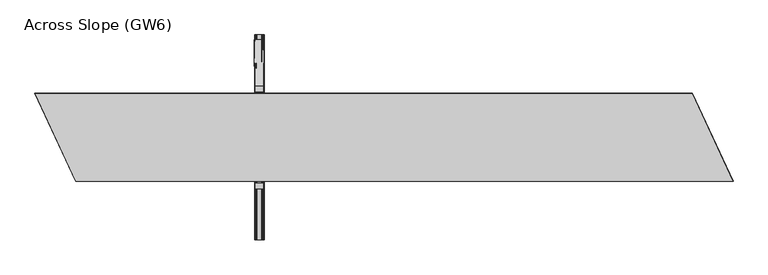
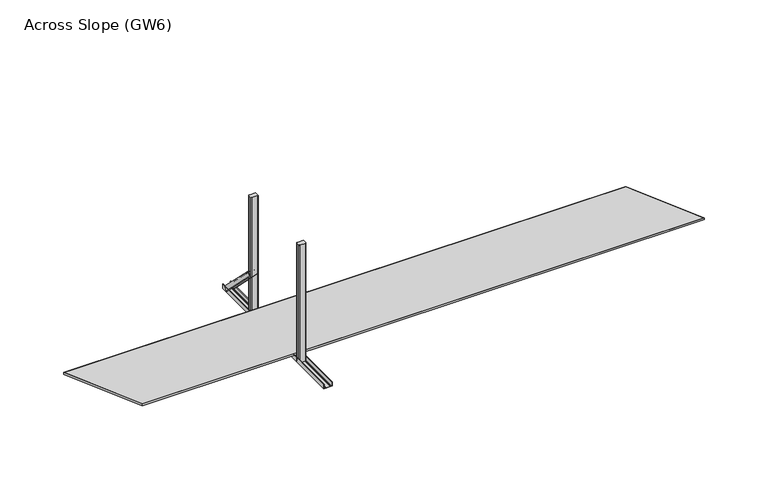
"""IFC4 building model written with IfcOpenShell, lengths in millimetres: proxy geometry, Across Slope (GW6)."""

from ifc_helpers import new_model, si_unit, point, frame, frame_2d, origin, origin_with_axes, place, context, project, spatial, polyline, circle_curve, trimmed, segment, composite_curve, outline, extrude, source, transform, mapped, element, save
from ifc_brep_helpers import plane_surface, extruded_surface, advanced_brep


def across_slope_gw6_fc3a5648(model_context):
    return source(origin(), model_context, "Body", "SolidModel", [
        extrude(outline(composite_curve([segment(polyline([(1555.5, -50.5), (1509.5, -50.5)]), True, "CONTINUOUS"), segment(trimmed(circle_curve(frame_2d((1509.5, -45.5)), 5.0), [point((1509.5, -50.5))], [point((1504.5, -45.5))], False, "CARTESIAN"), True, "CONTINUOUS"), segment(polyline([(1504.5, -45.5), (1504.5, -17.5)]), True, "CONTINUOUS"), segment(trimmed(circle_curve(frame_2d((1509.5, -17.5)), 5.0), [point((1504.5, -17.5))], [point((1509.5, -12.5))], False, "CARTESIAN"), True, "CONTINUOUS"), segment(polyline([(1509.5, -12.5), (1555.5, -12.5)]), True, "CONTINUOUS"), segment(trimmed(circle_curve(frame_2d((1555.5, -17.5)), 5.0), [point((1555.5, -12.5))], [point((1560.5, -17.5))], False, "CARTESIAN"), True, "CONTINUOUS"), segment(polyline([(1560.5, -17.5), (1560.5, -45.5)]), True, "CONTINUOUS"), segment(trimmed(circle_curve(frame_2d((1555.5, -45.5)), 5.0), [point((1560.5, -45.5))], [point((1555.5, -50.5))], False, "CARTESIAN"), True, "CONTINUOUS")], self_intersect=False)), origin_with_axes(), (0.0, 0.0, 1.0), 998.0),
        extrude(outline(composite_curve([segment(polyline([(1555.5, 612.5), (1509.5, 612.5)]), True, "CONTINUOUS"), segment(trimmed(circle_curve(frame_2d((1509.5, 617.5)), 5.0), [point((1509.5, 612.5))], [point((1504.5, 617.5))], False, "CARTESIAN"), True, "CONTINUOUS"), segment(polyline([(1504.5, 617.5), (1504.5, 645.5)]), True, "CONTINUOUS"), segment(trimmed(circle_curve(frame_2d((1509.5, 645.5)), 5.0), [point((1504.5, 645.5))], [point((1509.5, 650.5))], False, "CARTESIAN"), True, "CONTINUOUS"), segment(polyline([(1509.5, 650.5), (1555.5, 650.5)]), True, "CONTINUOUS"), segment(trimmed(circle_curve(frame_2d((1555.5, 645.5)), 5.0), [point((1555.5, 650.5))], [point((1560.5, 645.5))], False, "CARTESIAN"), True, "CONTINUOUS"), segment(polyline([(1560.5, 645.5), (1560.5, 617.5)]), True, "CONTINUOUS"), segment(trimmed(circle_curve(frame_2d((1555.5, 617.5)), 5.0), [point((1560.5, 617.5))], [point((1555.5, 612.5))], False, "CARTESIAN"), True, "CONTINUOUS")], self_intersect=False)), origin_with_axes(), (0.0, 0.0, 1.0), 998.0),
        advanced_brep(
        [(1497.0, 968.7087394, 38.0), (1562.0, 968.7087394, 38.0), (1562.0, 942.8993419, 12.1906025), (1559.0, 942.8993419, 12.1906025), (1559.0, 966.5874191, 35.8786797), (1549.0, 966.5874191, 35.8786797), (1549.0, 964.8196521, 34.1109127), (1548.0, 964.8196521, 34.1109127), (1548.0, 966.5874191, 35.8786797), (1511.0, 966.5874191, 35.8786797), (1511.0, 964.8196521, 34.1109127), (1510.0, 964.8196521, 34.1109127), (1510.0, 966.5874191, 35.8786797), (1500.0, 966.5874191, 35.8786797), (1500.0, 942.8993419, 12.1906025), (1497.0, 942.8993419, 12.1906025), (1500.0, 650.5106879, 356.1980515), (1500.0, 624.7012904, 330.388654), (1503.0, 624.7012904, 330.388654), (1503.0, 648.3893676, 354.0767312), (1513.0, 648.3893676, 354.0767312), (1513.0, 646.6216006, 352.3089642), (1514.0, 646.6216006, 352.3089642), (1514.0, 648.3893676, 354.0767312), (1551.0, 648.3893676, 354.0767312), (1551.0, 646.6216006, 352.3089642), (1552.0, 646.6216006, 352.3089642), (1552.0, 648.3893676, 354.0767312), (1562.0, 648.3893676, 354.0767312), (1562.0, 624.7012904, 330.388654), (1565.0, 624.7012904, 330.388654), (1565.0, 650.5106879, 356.1980515)],
        [
            (0, 1),
            (1, 2),
            (2, 3, circle_curve(frame((1560.5, 942.8993419, 12.1906025), z_axis=(0.0, 0.7071067811865432, -0.7071067811865519), x_axis=(0.0, -0.7071067811865519, -0.7071067811865432)), 1.5)),
            (3, 4),
            (4, 5),
            (5, 6),
            (6, 7, circle_curve(frame((1548.5, 964.8196521, 34.1109127), z_axis=(0.0, 0.7071067811865432, -0.7071067811865519), x_axis=(0.0, -0.7071067811865519, -0.7071067811865432)), 0.5)),
            (7, 8),
            (8, 9),
            (9, 10),
            (10, 11, circle_curve(frame((1510.5, 964.8196521, 34.1109127), z_axis=(0.0, 0.7071067811865432, -0.7071067811865519), x_axis=(0.0, -0.7071067811865519, -0.7071067811865432)), 0.5)),
            (11, 12),
            (12, 13),
            (13, 14),
            (14, 15, circle_curve(frame((1498.5, 942.8993419, 12.1906025), z_axis=(0.0, 0.7071067811865432, -0.7071067811865519), x_axis=(0.0, -0.7071067811865519, -0.7071067811865432)), 1.5)),
            (15, 0),
            (16, 17),
            (17, 18, circle_curve(frame((1501.5, 624.7012904, 330.388654), z_axis=(0.0, -0.7071067811865432, 0.7071067811865519), x_axis=(0.0, -0.7071067811865519, -0.7071067811865432)), 1.5)),
            (18, 19),
            (19, 20),
            (20, 21),
            (21, 22, circle_curve(frame((1513.5, 646.6216006, 352.3089642), z_axis=(0.0, -0.7071067811865432, 0.7071067811865519), x_axis=(0.0, -0.7071067811865519, -0.7071067811865432)), 0.5)),
            (22, 23),
            (23, 24),
            (24, 25),
            (25, 26, circle_curve(frame((1551.5, 646.6216006, 352.3089642), z_axis=(0.0, -0.7071067811865432, 0.7071067811865519), x_axis=(0.0, -0.7071067811865519, -0.7071067811865432)), 0.5)),
            (26, 27),
            (27, 28),
            (28, 29),
            (29, 30, circle_curve(frame((1563.5, 624.7012904, 330.388654), z_axis=(0.0, -0.7071067811865432, 0.7071067811865519), x_axis=(0.0, -0.7071067811865519, -0.7071067811865432)), 1.5)),
            (30, 31),
            (31, 16),
            (16, 0),
            (15, 17),
            (14, 18),
            (13, 19),
            (12, 20),
            (11, 21),
            (10, 22),
            (9, 23),
            (8, 24),
            (7, 25),
            (6, 26),
            (5, 27),
            (4, 28),
            (3, 29),
            (2, 30),
            (1, 31),
        ],
        [
            plane_surface(frame((1529.5, 960.4886231, 29.7798837), z_axis=(0.0, 0.707106781186543, -0.7071067811865521), x_axis=(0.0, -0.7071067811865521, -0.707106781186543))),
            plane_surface(frame((1532.5, 642.2905716, 347.9779352), z_axis=(0.0, -0.7071067811865432, 0.7071067811865519), x_axis=(0.0, -0.7071067811865519, -0.7071067811865432))),
            plane_surface(frame((1500.0, 637.6059891, 343.2933528), z_axis=(-0.9999777785184912, -0.004713940454842057, 0.004713940454841993), x_axis=(0.0, -0.7071067811865521, -0.707106781186543))),
            extruded_surface(trimmed(circle_curve(frame((1498.5, 942.8993419, 12.1906025), z_axis=(0.0, -0.7071067811865432, 0.7071067811865519), x_axis=(0.0, -0.7071067811865519, -0.7071067811865432)), 1.5), [point((1497.0, 942.8993419, 12.1906025))], [point((1500.0, 942.8993419, 12.1906025))], True, "CARTESIAN"), (3.0, -318.1980515, 318.19805149999996), 450.009999840885),
            plane_surface(frame((1503.0, 636.545329, 342.2326926), z_axis=(0.9999777785184912, 0.004713940454842057, -0.004713940454841993), x_axis=(0.0, 0.7071067811865521, 0.707106781186543))),
            plane_surface(frame((1508.0, 648.3893676, 354.0767312), z_axis=(0.0, -0.7071067811865525, -0.7071067811865427), x_axis=(1.0, 0.0, 0.0))),
            plane_surface(frame((1513.0, 647.5054841, 353.1928477), z_axis=(-0.9999777785184911, -0.004713940454842033, 0.004713940454842016), x_axis=(0.0, -0.7071067811865557, -0.7071067811865394))),
            extruded_surface(trimmed(circle_curve(frame((1510.5, 964.8196521, 34.1109127), z_axis=(0.0, -0.7071067811865432, 0.7071067811865519), x_axis=(0.0, -0.7071067811865519, -0.7071067811865432)), 0.5), [point((1510.0, 964.8196521, 34.1109127))], [point((1511.0, 964.8196521, 34.1109127))], True, "CARTESIAN"), (3.0, -318.1980515, 318.1980515), 450.00999984088503),
            plane_surface(frame((1514.0, 647.5054841, 353.1928477), z_axis=(0.9999777785184911, 0.004713940454842045, -0.004713940454842029), x_axis=(0.0, 0.7071067811865557, 0.7071067811865394))),
            plane_surface(frame((1532.5, 648.3893676, 354.0767312), z_axis=(0.0, -0.7071067811865525, -0.7071067811865427), x_axis=(1.0, 0.0, 0.0))),
            plane_surface(frame((1551.0, 647.5054841, 353.1928477), z_axis=(-0.9999777785184911, -0.004713940454842039, 0.004713940454842022), x_axis=(0.0, -0.7071067811865557, -0.7071067811865394))),
            extruded_surface(trimmed(circle_curve(frame((1548.5, 964.8196521, 34.1109127), z_axis=(0.0, -0.7071067811865432, 0.7071067811865519), x_axis=(0.0, -0.7071067811865519, -0.7071067811865432)), 0.5), [point((1548.0, 964.8196521, 34.1109127))], [point((1549.0, 964.8196521, 34.1109127))], True, "CARTESIAN"), (3.0, -318.1980515, 318.1980515), 450.00999984088503),
            plane_surface(frame((1552.0, 647.5054841, 353.1928477), z_axis=(0.9999777785184911, 0.004713940454842066, -0.004713940454841994), x_axis=(0.0, 0.7071067811865515, 0.7071067811865436))),
            plane_surface(frame((1557.0, 648.3893676, 354.0767312), z_axis=(0.0, -0.7071067811865522, -0.707106781186543), x_axis=(1.0, 0.0, 0.0))),
            plane_surface(frame((1562.0, 636.545329, 342.2326926), z_axis=(-0.9999777785184911, -0.004713940454842064, 0.004713940454841998), x_axis=(0.0, -0.707106781186552, -0.7071067811865431))),
            extruded_surface(trimmed(circle_curve(frame((1560.5, 942.8993419, 12.1906025), z_axis=(0.0, -0.7071067811865432, 0.7071067811865519), x_axis=(0.0, -0.7071067811865519, -0.7071067811865432)), 1.5), [point((1559.0, 942.8993419, 12.1906025))], [point((1562.0, 942.8993419, 12.1906025))], True, "CARTESIAN"), (3.0, -318.1980515, 318.19805149999996), 450.009999840885),
            plane_surface(frame((1565.0, 637.6059891, 343.2933528), z_axis=(0.9999777785184913, 0.004713940454842066, -0.004713940454841998), x_axis=(0.0, 0.7071067811865519, 0.7071067811865432))),
            plane_surface(frame((1532.5, 650.5106879, 356.1980515), z_axis=(0.0, 0.7071067811865526, 0.7071067811865427), x_axis=(-1.0, 0.0, 0.0))),
        ],
        [
            (0, [[1, 2, 3, 4, 5, 6, 7, 8, 9, 10, 11, 12, 13, 14, 15, 16]]),
            (1, [[17, 18, 19, 20, 21, 22, 23, 24, 25, 26, 27, 28, 29, 30, 31, 32]]),
            (2, [[33, -16, 34, -17]]),
            (3, [[-34, -15, 35, -18]]),
            (4, [[-35, -14, 36, -19]]),
            (5, [[-36, -13, 37, -20]]),
            (6, [[-37, -12, 38, -21]]),
            (7, [[-38, -11, 39, -22]]),
            (8, [[-39, -10, 40, -23]]),
            (9, [[-40, -9, 41, -24]]),
            (10, [[-41, -8, 42, -25]]),
            (11, [[-42, -7, 43, -26]]),
            (12, [[-43, -6, 44, -27]]),
            (13, [[-44, -5, 45, -28]]),
            (14, [[-45, -4, 46, -29]]),
            (15, [[-46, -3, 47, -30]]),
            (16, [[-47, -2, 48, -31]]),
            (17, [[-48, -1, -33, -32]]),
        ],
    ),
        extrude(outline(composite_curve([segment(polyline([(0.0, 1500.0), (0.0, 1565.0), (36.5, 1565.0)]), True, "CONTINUOUS"), segment(trimmed(circle_curve(frame_2d((36.5, 1563.5)), 1.5), [point((36.5, 1565.0))], [point((36.5, 1562.0))], False, "CARTESIAN"), True, "CONTINUOUS"), segment(polyline([(36.5, 1562.0), (3.0, 1562.0), (3.0, 1552.0), (5.5, 1552.0)]), True, "CONTINUOUS"), segment(trimmed(circle_curve(frame_2d((5.5, 1551.5)), 0.5), [point((5.5, 1552.0))], [point((5.5, 1551.0))], False, "CARTESIAN"), True, "CONTINUOUS"), segment(polyline([(5.5, 1551.0), (3.0, 1551.0), (3.0, 1514.0), (5.5, 1514.0)]), True, "CONTINUOUS"), segment(trimmed(circle_curve(frame_2d((5.5, 1513.5)), 0.5), [point((5.5, 1514.0))], [point((5.5, 1513.0))], False, "CARTESIAN"), True, "CONTINUOUS"), segment(polyline([(5.5, 1513.0), (3.0, 1513.0), (3.0, 1503.0), (36.5, 1503.0)]), True, "CONTINUOUS"), segment(trimmed(circle_curve(frame_2d((36.5, 1501.5)), 1.5), [point((36.5, 1503.0))], [point((36.5, 1500.0))], False, "CARTESIAN"), True, "CONTINUOUS"), segment(polyline([(36.5, 1500.0), (0.0, 1500.0)]), True, "CONTINUOUS")], self_intersect=False)), frame((0.0, -400.0, 0.0), z_axis=(0.0, 1.0, 0.0), x_axis=(0.0, 0.0, 1.0)), (0.0, 0.0, 1.0), 1400.0),
        extrude(outline(polyline([(4767.3549356, 1.0), (280.4216652, 1.0), (1.5696856, 599.0), (4488.502956, 599.0), (4767.3549356, 1.0)])), frame((0.0, 0.0, 42.0), z_axis=(0.0, 0.0, 1.0), x_axis=(1.0, 0.0, 0.0)), (0.0, 0.0, 1.0), 13.0),
        extrude(outline(polyline([(4768.9246212, 0.0), (279.7845949, 0.0), (0.0, 600.0), (4489.1400263, 600.0), (4768.9246212, 0.0)]), holes=[polyline([(4767.3549356, 1.0), (4488.502956, 599.0), (1.5696856, 599.0), (280.4216652, 1.0), (4767.3549356, 1.0)])]), frame((0.0, 0.0, 42.0), z_axis=(0.0, 0.0, 1.0), x_axis=(1.0, 0.0, 0.0)), (0.0, 0.0, 1.0), 13.0),
    ])


if __name__ == "__main__":
    model = new_model("IFC4")
    model_context = context("Model", 3, world=origin())
    ifc_project = project(units=[si_unit("LENGTHUNIT", "METRE", prefix="MILLI")], contexts=[model_context])
    site = spatial("IfcSite", under=ifc_project)
    building = spatial("IfcBuilding", under=site)
    placement = place(None, origin())
    across_slope_gw6_shape = across_slope_gw6_fc3a5648(model_context)
    element("IfcBuildingElementProxy", 1, Name="Across Slope (GW6)", ObjectType="Across Slope (GW6)", at=placement, inside=building, context=model_context, shape_type="MappedRepresentation", body=[
        mapped(across_slope_gw6_shape, transform((0.0, 0.0, 0.0), x_axis=(1.0, 0.0, 0.0), y_axis=(0.0, 1.0, 0.0), z_axis=(0.0, 0.0, 1.0))),
    ])
    save(model, "model.ifc")
